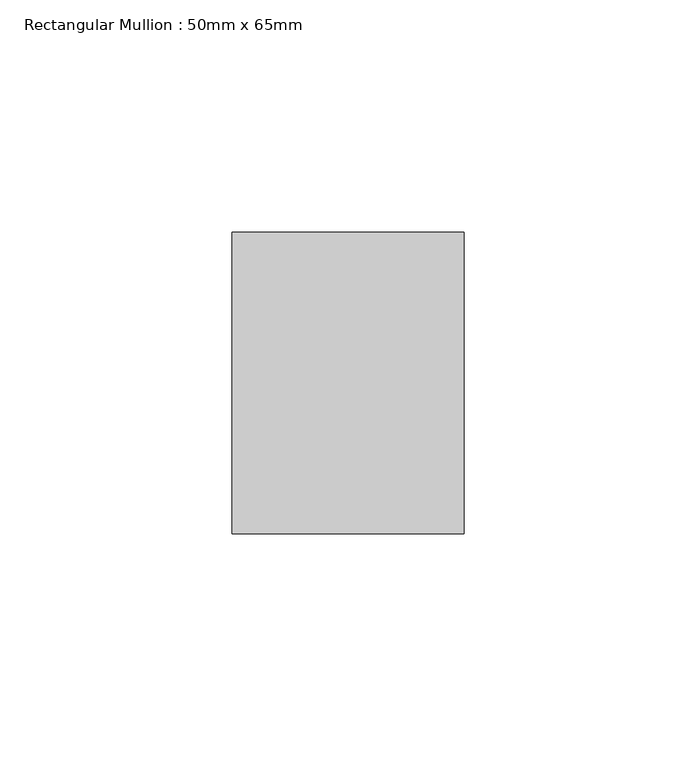
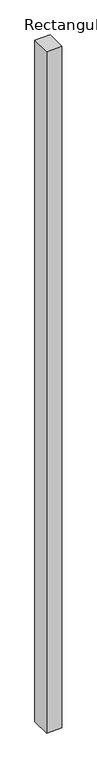
"""IFC4 building model written with IfcOpenShell, lengths in millimetres: member geometry, Rectangular Mullion : 50mm x 65mm."""

from ifc_helpers import new_model, si_unit, frame, origin, place, context, project, spatial, polyline, outline, extrude, source, transform, mapped, element, save


def rectangular_mullion_50mm_x_65mm_7efb7910(model_context):
    return source(origin(), model_context, "Body", "SweptSolid", [
        extrude(outline(polyline([(25.0, 32.5), (25.0, -32.5), (-25.0, -32.5), (-25.0, 32.5), (25.0, 32.5)])), frame((0.0, 0.0, -2332.1776392), z_axis=(0.0, 0.0, 1.0), x_axis=(1.0, 0.0, 0.0)), (0.0, 0.0, 1.0), 2332.1776392),
    ])


if __name__ == "__main__":
    model = new_model("IFC4")
    model_context = context("Model", 3, world=origin())
    ifc_project = project(units=[si_unit("LENGTHUNIT", "METRE", prefix="MILLI")], contexts=[model_context])
    site = spatial("IfcSite", under=ifc_project)
    building = spatial("IfcBuilding", under=site)
    placement = place(None, origin())
    rectangular_mullion_50mm_x_65mm_shape = rectangular_mullion_50mm_x_65mm_7efb7910(model_context)
    element("IfcMember", 1, ObjectType="Rectangular Mullion : 50mm x 65mm", at=placement, inside=building, context=model_context, shape_type="MappedRepresentation", body=[
        mapped(rectangular_mullion_50mm_x_65mm_shape, transform((0.0, 0.0, 0.0), x_axis=(1.0, 0.0, 0.0), y_axis=(0.0, 1.0, 0.0), z_axis=(0.0, 0.0, 1.0))),
    ])
    save(model, "model.ifc")
